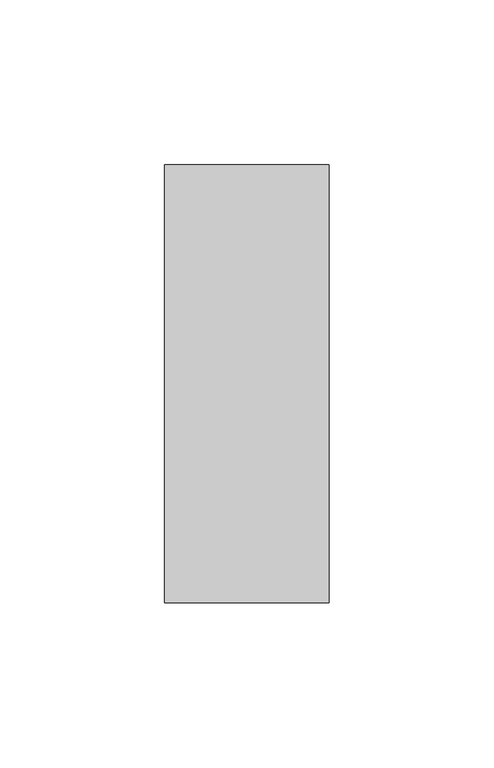
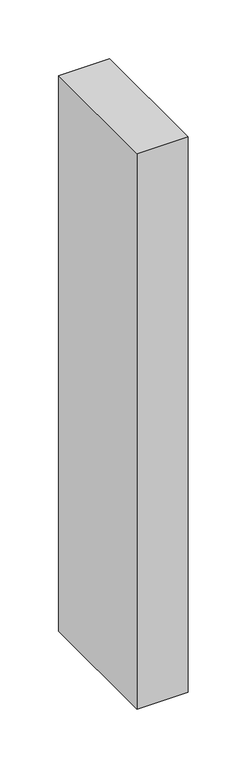
"""IFC4 building model written with IfcOpenShell, lengths in millimetres: member geometry."""

from ifc_helpers import new_model, si_unit, frame, origin, place, context, project, spatial, polyline, outline, extrude, source, transform, mapped, element, save


def member_1b0f51bb(model_context):
    return source(origin(), model_context, "Body", "SweptSolid", [
        extrude(outline(polyline([(0.0, -22.0), (-50.0, -22.0), (-50.0, 111.0), (0.0, 111.0), (0.0, -22.0)])), frame((0.0, 0.0, -575.0), z_axis=(0.0, 0.0, 1.0), x_axis=(1.0, 0.0, 0.0)), (0.0, 0.0, 1.0), 575.0),
    ])


if __name__ == "__main__":
    model = new_model("IFC4")
    model_context = context("Model", 3, world=origin())
    ifc_project = project(units=[si_unit("LENGTHUNIT", "METRE", prefix="MILLI")], contexts=[model_context])
    site = spatial("IfcSite", under=ifc_project)
    building = spatial("IfcBuilding", under=site)
    placement = place(None, origin())
    member_shape = member_1b0f51bb(model_context)
    element("IfcMember", 1, at=placement, inside=building, context=model_context, shape_type="MappedRepresentation", body=[
        mapped(member_shape, transform((0.0, 0.0, 0.0), x_axis=(1.0, 0.0, 0.0), y_axis=(0.0, 1.0, 0.0), z_axis=(0.0, 0.0, 1.0))),
    ])
    save(model, "model.ifc")
